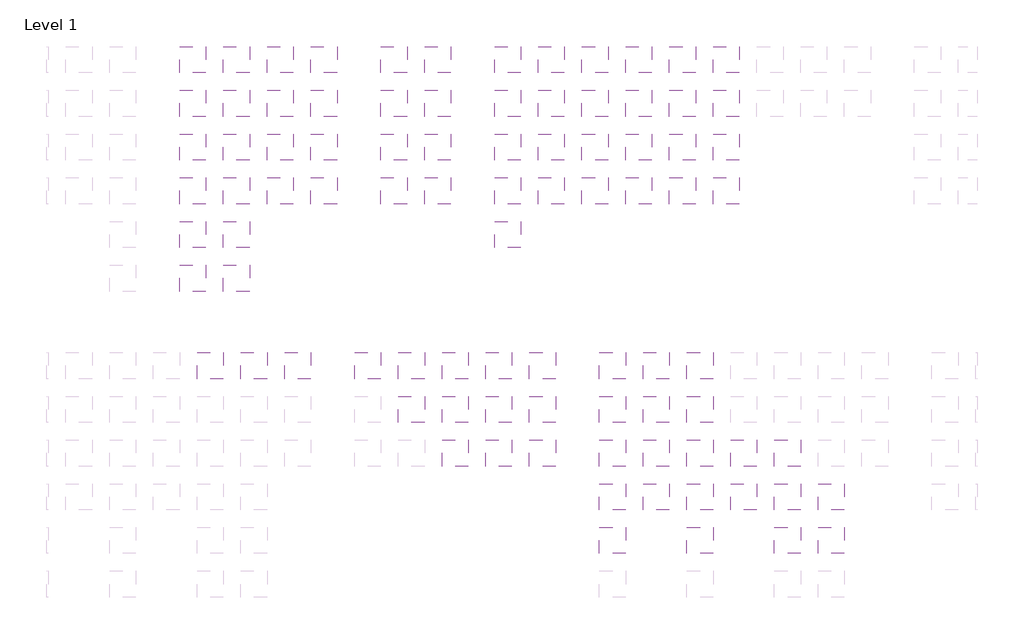
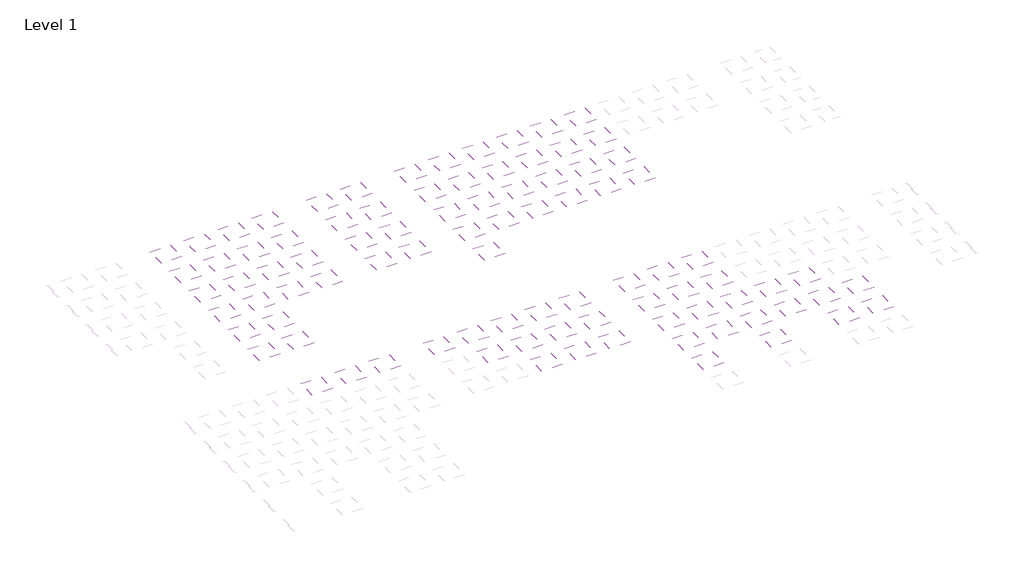
# One storey, part 3 of 90: 89 coverings.
"""IFC4 building model written with IfcOpenShell, lengths in millimetres."""

import ifcopenshell
import ifcopenshell.guid

model = None  # the IFC model being written
_history = None  # IfcOwnerHistory: only IFC2X3 demands one
_inside = {}  # id of a spatial element -> (the spatial element, [elements in it])
_under = {}  # id of a project, library or spatial element -> (it, [spatial elements below it])
_declared = {}  # id of a project -> (the project, [libraries it declares])
_typed = {}  # id of a type object -> (the type object, [elements of that type])
_made_of = {}  # id of a material, layer set ... -> (it, [elements and type objects made of it])


def new_model(schema):
    """Start an empty IFC model of exactly this schema.

    Asked for "IFC4X3", IfcOpenShell would pick the latest addendum, in which some entities
    have other attributes; the version numbers below select the first issue.
    IFC2X3 requires an IfcOwnerHistory on every rooted entity: one is made here for all.
    """
    global model, _history
    if schema == "IFC4X3":
        model = ifcopenshell.file(schema_version=(4, 3, 0, 0))
    else:
        model = ifcopenshell.file(schema=schema)
    _inside.clear()
    _under.clear()
    _declared.clear()
    _typed.clear()
    _made_of.clear()
    _history = None
    if model.schema == "IFC2X3":
        org = make("IfcOrganization", Name="unknown")
        user = make(
            "IfcPersonAndOrganization",
            ThePerson=make("IfcPerson", FamilyName="unknown"),
            TheOrganization=org,
        )
        app = make(
            "IfcApplication",
            ApplicationDeveloper=org,
            Version="unknown",
            ApplicationFullName="unknown",
            ApplicationIdentifier="unknown",
        )
        _history = make(
            "IfcOwnerHistory",
            OwningUser=user,
            OwningApplication=app,
            ChangeAction="ADDED",
            CreationDate=0,
        )
    return model


def make(cls, **values):
    """One entity of the class cls with the attributes given. An attribute that is None is left unset."""
    return model.create_entity(
        cls, **{name: value for name, value in values.items() if value is not None}
    )


def rooted(cls, **values):
    """An entity with a GlobalId (a new one), such as an element, a storey or a relation."""
    return make(cls, GlobalId=ifcopenshell.guid.new(), OwnerHistory=_history, **values)


def si_unit(unit_type, name, prefix=None):
    """IfcSIUnit, for example si_unit("LENGTHUNIT", "METRE", prefix="MILLI")."""
    return make("IfcSIUnit", UnitType=unit_type, Prefix=prefix, Name=name)


def assignment(units):
    """IfcUnitAssignment: the units of a project."""
    return None if units is None else make("IfcUnitAssignment", Units=units)


def point(xyz):
    """IfcCartesianPoint."""
    return None if xyz is None else make("IfcCartesianPoint", Coordinates=xyz)


def direction(xyz):
    """IfcDirection."""
    return None if xyz is None else make("IfcDirection", DirectionRatios=xyz)


def frame(location, z_axis=None, x_axis=None):
    """IfcAxis2Placement3D, a coordinate frame: its origin and axes. An axis left out is left unset."""
    return make(
        "IfcAxis2Placement3D",
        Location=point(location),
        Axis=direction(z_axis),
        RefDirection=direction(x_axis),
    )


def origin():
    """The frame at (0, 0, 0) with its axes left unset."""
    return frame((0.0, 0.0, 0.0))


def place(relative_to, where):
    """IfcLocalPlacement: puts the frame where relative to a parent placement (None: the world)."""
    return make(
        "IfcLocalPlacement", PlacementRelTo=relative_to, RelativePlacement=where
    )


def context(
    kind, dimensions, precision=None, world=None, true_north=None, identifier=None
):
    """IfcGeometricRepresentationContext, for example the 3D "Model" context."""
    return make(
        "IfcGeometricRepresentationContext",
        ContextIdentifier=identifier,
        ContextType=kind,
        CoordinateSpaceDimension=dimensions,
        Precision=precision,
        WorldCoordinateSystem=world,
        TrueNorth=true_north,
    )


def project(units=None, contexts=None):
    """IfcProject with its units and contexts."""
    return rooted(
        "IfcProject",
        Name="project",
        RepresentationContexts=contexts,
        UnitsInContext=assignment(units),
    )


def spatial(cls, under=None, at=None, **own):
    """A site, building, storey or space (cls), placed at a placement, below another one or the project."""
    s = rooted(cls, ObjectPlacement=at, **own)
    if under is not None:
        _under.setdefault(under.id(), (under, []))[1].append(s)
    return s


def polyline(points):
    """IfcPolyline through the points."""
    return make("IfcPolyline", Points=[point(p) for p in points])


def outline(outer, holes=None, kind="AREA"):
    """IfcArbitraryClosedProfileDef: a profile drawn as a closed curve; with holes, ...WithVoids."""
    if holes is None:
        return make("IfcArbitraryClosedProfileDef", ProfileType=kind, OuterCurve=outer)
    return make(
        "IfcArbitraryProfileDefWithVoids",
        ProfileType=kind,
        OuterCurve=outer,
        InnerCurves=holes,
    )


def extrude(swept, where, along, depth):
    """IfcExtrudedAreaSolid: the profile swept, set in the frame where, extruded along a direction by depth."""
    return make(
        "IfcExtrudedAreaSolid",
        SweptArea=swept,
        Position=where,
        ExtrudedDirection=direction(along),
        Depth=depth,
    )


def shape(context_of_items, identifier, shape_type, items):
    """IfcShapeRepresentation: the items that make up one representation, for example the "Body"."""
    return make(
        "IfcShapeRepresentation",
        ContextOfItems=context_of_items,
        RepresentationIdentifier=identifier,
        RepresentationType=shape_type,
        Items=items,
    )


def made_of(thing, what):
    """Note that an element or type object is made of a material, layer set ...; save() writes the relation."""
    if what is not None:
        _made_of.setdefault(what.id(), (what, []))[1].append(thing)
    return thing


def element(
    cls,
    number,
    at=None,
    inside=None,
    cuts=None,
    type_object=None,
    material=None,
    context=None,
    identifier="Body",
    shape_type=None,
    held_by="IfcProductDefinitionShape",
    body=None,
    shapes=None,
    **own,
):
    """One element of the class cls, such as IfcWall. Its Tag is "e" and its number.

    at: its placement. inside: the storey or other place that contains it. cuts: it is an
    opening in that element (IfcRelVoidsElement). A single representation is given by context,
    identifier, shape_type and body (its items); several are given by shapes. held_by: the class
    of the entity that holds the representations. save() writes the other relations.
    """
    e = rooted(cls, Tag="e%d" % number, ObjectPlacement=at, **own)
    if body is not None:
        shapes = [shape(context, identifier, shape_type, body)]
    if shapes is not None:
        e.Representation = make(held_by, Representations=shapes)
    if inside is not None:
        _inside.setdefault(inside.id(), (inside, []))[1].append(e)
    if cuts is not None:
        rooted(
            "IfcRelVoidsElement", RelatingBuildingElement=cuts, RelatedOpeningElement=e
        )
    if type_object is not None:
        _typed.setdefault(type_object.id(), (type_object, []))[1].append(e)
    return made_of(e, material)


def aggregate(whole, parts):
    """IfcRelAggregates: a whole, such as a stair, and the parts it consists of."""
    return rooted("IfcRelAggregates", RelatingObject=whole, RelatedObjects=parts)


def save(model, path):
    """Write the relations noted so far, then the file.

    IfcRelAggregates (storeys below a building ...), IfcRelContainedInSpatialStructure (elements
    in a storey), IfcRelDefinesByType, IfcRelAssociatesMaterial and IfcRelDeclares: one each for
    every whole, place, type object, material and project.
    """
    for whole, parts in _under.values():
        aggregate(whole, parts)
    for where, things in _inside.values():
        rooted(
            "IfcRelContainedInSpatialStructure",
            RelatedElements=things,
            RelatingStructure=where,
        )
    for kind, things in _typed.values():
        rooted("IfcRelDefinesByType", RelatedObjects=things, RelatingType=kind)
    for what, things in _made_of.values():
        rooted("IfcRelAssociatesMaterial", RelatedObjects=things, RelatingMaterial=what)
    for by, libraries in _declared.values():
        rooted("IfcRelDeclares", RelatingContext=by, RelatedDefinitions=libraries)
    model.write(path)


model = new_model("IFC4")

# Units and contexts
model_context = context("Model", 3, world=origin())
ifc_project = project(units=[si_unit("LENGTHUNIT", "METRE", prefix="MILLI")], contexts=[model_context])

# Site, building, storey
site = spatial("IfcSite", under=ifc_project)
building = spatial("IfcBuilding", under=site)
storey = spatial("IfcBuildingStorey", under=building, Name="Level 1", Elevation=0.0)

# Coverings
placement = place(None, origin())
element("IfcCovering", 1, at=placement, inside=storey, context=model_context, shape_type="SweptSolid", body=[
    extrude(outline(polyline([(51921.3888175, -42496.7559295), (51921.3888175, -45496.7559295), (48921.3888175, -45496.7559295), (48921.3888175, -42496.7559295), (51921.3888175, -42496.7559295)])), frame((0.0, 0.0, 2600.0), z_axis=(0.0, 0.0, 1.0), x_axis=(1.0, 0.0, 0.0)), (0.0, 0.0, 1.0), 38.0),
])
element("IfcCovering", 2, at=placement, inside=storey, context=model_context, shape_type="SweptSolid", body=[
    extrude(outline(polyline([(51921.3888175, -47496.7559295), (51921.3888175, -50496.7559295), (48921.3888175, -50496.7559295), (48921.3888175, -47496.7559295), (51921.3888175, -47496.7559295)])), frame((0.0, 0.0, 2600.0), z_axis=(0.0, 0.0, 1.0), x_axis=(1.0, 0.0, 0.0)), (0.0, 0.0, 1.0), 38.0),
])
element("IfcCovering", 3, at=placement, inside=storey, context=model_context, shape_type="SweptSolid", body=[
    extrude(outline(polyline([(51921.3888175, -57496.7559295), (51921.3888175, -60496.7559295), (48921.3888175, -60496.7559295), (48921.3888175, -57496.7559295), (51921.3888175, -57496.7559295)])), frame((0.0, 0.0, 2600.0), z_axis=(0.0, 0.0, 1.0), x_axis=(1.0, 0.0, 0.0)), (0.0, 0.0, 1.0), 38.0),
])
element("IfcCovering", 4, at=placement, inside=storey, context=model_context, shape_type="SweptSolid", body=[
    extrude(outline(polyline([(61921.3888175, -42496.7559295), (61921.3888175, -45496.7559295), (58921.3888175, -45496.7559295), (58921.3888175, -42496.7559295), (61921.3888175, -42496.7559295)])), frame((0.0, 0.0, 2600.0), z_axis=(0.0, 0.0, 1.0), x_axis=(1.0, 0.0, 0.0)), (0.0, 0.0, 1.0), 38.0),
])
element("IfcCovering", 5, at=placement, inside=storey, context=model_context, shape_type="SweptSolid", body=[
    extrude(outline(polyline([(61921.3888175, -47496.7559295), (61921.3888175, -50496.7559295), (58921.3888175, -50496.7559295), (58921.3888175, -47496.7559295), (61921.3888175, -47496.7559295)])), frame((0.0, 0.0, 2600.0), z_axis=(0.0, 0.0, 1.0), x_axis=(1.0, 0.0, 0.0)), (0.0, 0.0, 1.0), 38.0),
])
element("IfcCovering", 6, at=placement, inside=storey, context=model_context, shape_type="SweptSolid", body=[
    extrude(outline(polyline([(61921.3888175, -57496.7559295), (61921.3888175, -60496.7559295), (58921.3888175, -60496.7559295), (58921.3888175, -57496.7559295), (61921.3888175, -57496.7559295)])), frame((0.0, 0.0, 2600.0), z_axis=(0.0, 0.0, 1.0), x_axis=(1.0, 0.0, 0.0)), (0.0, 0.0, 1.0), 38.0),
])
element("IfcCovering", 7, at=placement, inside=storey, context=model_context, shape_type="SweptSolid", body=[
    extrude(outline(polyline([(71921.3888175, -57496.7559295), (71921.3888175, -60496.7559295), (68921.3888175, -60496.7559295), (68921.3888175, -57496.7559295), (71921.3888175, -57496.7559295)])), frame((0.0, 0.0, 2600.0), z_axis=(0.0, 0.0, 1.0), x_axis=(1.0, 0.0, 0.0)), (0.0, 0.0, 1.0), 38.0),
])
element("IfcCovering", 8, at=placement, inside=storey, context=model_context, shape_type="SweptSolid", body=[
    extrude(outline(polyline([(76921.3888175, -57496.7559295), (76921.3888175, -60496.7559295), (73921.3888175, -60496.7559295), (73921.3888175, -57496.7559295), (76921.3888175, -57496.7559295)])), frame((0.0, 0.0, 2600.0), z_axis=(0.0, 0.0, 1.0), x_axis=(1.0, 0.0, 0.0)), (0.0, 0.0, 1.0), 38.0),
])
element("IfcCovering", 9, at=placement, inside=storey, context=model_context, shape_type="SweptSolid", body=[
    extrude(outline(polyline([(5921.3888175, -42496.7559295), (5921.3888175, -45496.7559295), (2921.3888175, -45496.7559295), (2921.3888175, -42496.7559295), (5921.3888175, -42496.7559295)])), frame((0.0, 0.0, 2600.0), z_axis=(0.0, 0.0, 1.0), x_axis=(1.0, 0.0, 0.0)), (0.0, 0.0, 1.0), 38.0),
])
element("IfcCovering", 10, at=placement, inside=storey, context=model_context, shape_type="SweptSolid", body=[
    extrude(outline(polyline([(10921.3888175, -42496.7559295), (10921.3888175, -45496.7559295), (7921.3888175, -45496.7559295), (7921.3888175, -42496.7559295), (10921.3888175, -42496.7559295)])), frame((0.0, 0.0, 2600.0), z_axis=(0.0, 0.0, 1.0), x_axis=(1.0, 0.0, 0.0)), (0.0, 0.0, 1.0), 38.0),
])
element("IfcCovering", 11, at=placement, inside=storey, context=model_context, shape_type="SweptSolid", body=[
    extrude(outline(polyline([(15921.3888175, -42496.7559295), (15921.3888175, -45496.7559295), (12921.3888175, -45496.7559295), (12921.3888175, -42496.7559295), (15921.3888175, -42496.7559295)])), frame((0.0, 0.0, 2600.0), z_axis=(0.0, 0.0, 1.0), x_axis=(1.0, 0.0, 0.0)), (0.0, 0.0, 1.0), 38.0),
])
element("IfcCovering", 12, at=placement, inside=storey, context=model_context, shape_type="SweptSolid", body=[
    extrude(outline(polyline([(51921.3888175, -52496.7559295), (51921.3888175, -55496.7559295), (48921.3888175, -55496.7559295), (48921.3888175, -52496.7559295), (51921.3888175, -52496.7559295)])), frame((0.0, 0.0, 2600.0), z_axis=(0.0, 0.0, 1.0), x_axis=(1.0, 0.0, 0.0)), (0.0, 0.0, 1.0), 38.0),
])
element("IfcCovering", 13, at=placement, inside=storey, context=model_context, shape_type="SweptSolid", body=[
    extrude(outline(polyline([(61921.3888175, -52496.7559295), (61921.3888175, -55496.7559295), (58921.3888175, -55496.7559295), (58921.3888175, -52496.7559295), (61921.3888175, -52496.7559295)])), frame((0.0, 0.0, 2600.0), z_axis=(0.0, 0.0, 1.0), x_axis=(1.0, 0.0, 0.0)), (0.0, 0.0, 1.0), 38.0),
])
element("IfcCovering", 14, at=placement, inside=storey, context=model_context, shape_type="SweptSolid", body=[
    extrude(outline(polyline([(71921.3888175, -52496.7559295), (71921.3888175, -55496.7559295), (68921.3888175, -55496.7559295), (68921.3888175, -52496.7559295), (71921.3888175, -52496.7559295)])), frame((0.0, 0.0, 2600.0), z_axis=(0.0, 0.0, 1.0), x_axis=(1.0, 0.0, 0.0)), (0.0, 0.0, 1.0), 38.0),
])
element("IfcCovering", 15, at=placement, inside=storey, context=model_context, shape_type="SweptSolid", body=[
    extrude(outline(polyline([(51921.3888175, -62496.7559295), (51921.3888175, -65496.7559295), (48921.3888175, -65496.7559295), (48921.3888175, -62496.7559295), (51921.3888175, -62496.7559295)])), frame((0.0, 0.0, 2600.0), z_axis=(0.0, 0.0, 1.0), x_axis=(1.0, 0.0, 0.0)), (0.0, 0.0, 1.0), 38.0),
])
element("IfcCovering", 16, at=placement, inside=storey, context=model_context, shape_type="SweptSolid", body=[
    extrude(outline(polyline([(61921.3888175, -62496.7559295), (61921.3888175, -65496.7559295), (58921.3888175, -65496.7559295), (58921.3888175, -62496.7559295), (61921.3888175, -62496.7559295)])), frame((0.0, 0.0, 2600.0), z_axis=(0.0, 0.0, 1.0), x_axis=(1.0, 0.0, 0.0)), (0.0, 0.0, 1.0), 38.0),
])
element("IfcCovering", 17, at=placement, inside=storey, context=model_context, shape_type="SweptSolid", body=[
    extrude(outline(polyline([(71921.3888175, -62496.7559295), (71921.3888175, -65496.7559295), (68921.3888175, -65496.7559295), (68921.3888175, -62496.7559295), (71921.3888175, -62496.7559295)])), frame((0.0, 0.0, 2600.0), z_axis=(0.0, 0.0, 1.0), x_axis=(1.0, 0.0, 0.0)), (0.0, 0.0, 1.0), 38.0),
])
element("IfcCovering", 18, at=placement, inside=storey, context=model_context, shape_type="SweptSolid", body=[
    extrude(outline(polyline([(76921.3888175, -62496.7559295), (76921.3888175, -65496.7559295), (73921.3888175, -65496.7559295), (73921.3888175, -62496.7559295), (76921.3888175, -62496.7559295)])), frame((0.0, 0.0, 2600.0), z_axis=(0.0, 0.0, 1.0), x_axis=(1.0, 0.0, 0.0)), (0.0, 0.0, 1.0), 38.0),
])
element("IfcCovering", 19, at=placement, inside=storey, context=model_context, shape_type="SweptSolid", body=[
    extrude(outline(polyline([(66921.3888175, -52496.7559295), (66921.3888175, -55496.7559295), (63921.3888175, -55496.7559295), (63921.3888175, -52496.7559295), (66921.3888175, -52496.7559295)])), frame((0.0, 0.0, 2600.0), z_axis=(0.0, 0.0, 1.0), x_axis=(1.0, 0.0, 0.0)), (0.0, 0.0, 1.0), 38.0),
])
element("IfcCovering", 20, at=placement, inside=storey, context=model_context, shape_type="SweptSolid", body=[
    extrude(outline(polyline([(66921.3888175, -57496.7559295), (66921.3888175, -60496.7559295), (63921.3888175, -60496.7559295), (63921.3888175, -57496.7559295), (66921.3888175, -57496.7559295)])), frame((0.0, 0.0, 2600.0), z_axis=(0.0, 0.0, 1.0), x_axis=(1.0, 0.0, 0.0)), (0.0, 0.0, 1.0), 38.0),
])
element("IfcCovering", 21, at=placement, inside=storey, context=model_context, shape_type="SweptSolid", body=[
    extrude(outline(polyline([(56921.3888175, -42496.7559295), (56921.3888175, -45496.7559295), (53921.3888175, -45496.7559295), (53921.3888175, -42496.7559295), (56921.3888175, -42496.7559295)])), frame((0.0, 0.0, 2600.0), z_axis=(0.0, 0.0, 1.0), x_axis=(1.0, 0.0, 0.0)), (0.0, 0.0, 1.0), 38.0),
])
element("IfcCovering", 22, at=placement, inside=storey, context=model_context, shape_type="SweptSolid", body=[
    extrude(outline(polyline([(56921.3888175, -47496.7559295), (56921.3888175, -50496.7559295), (53921.3888175, -50496.7559295), (53921.3888175, -47496.7559295), (56921.3888175, -47496.7559295)])), frame((0.0, 0.0, 2600.0), z_axis=(0.0, 0.0, 1.0), x_axis=(1.0, 0.0, 0.0)), (0.0, 0.0, 1.0), 38.0),
])
element("IfcCovering", 23, at=placement, inside=storey, context=model_context, shape_type="SweptSolid", body=[
    extrude(outline(polyline([(56921.3888175, -52496.7559295), (56921.3888175, -55496.7559295), (53921.3888175, -55496.7559295), (53921.3888175, -52496.7559295), (56921.3888175, -52496.7559295)])), frame((0.0, 0.0, 2600.0), z_axis=(0.0, 0.0, 1.0), x_axis=(1.0, 0.0, 0.0)), (0.0, 0.0, 1.0), 38.0),
])
element("IfcCovering", 24, at=placement, inside=storey, context=model_context, shape_type="SweptSolid", body=[
    extrude(outline(polyline([(56921.3888175, -57496.7559295), (56921.3888175, -60496.7559295), (53921.3888175, -60496.7559295), (53921.3888175, -57496.7559295), (56921.3888175, -57496.7559295)])), frame((0.0, 0.0, 2600.0), z_axis=(0.0, 0.0, 1.0), x_axis=(1.0, 0.0, 0.0)), (0.0, 0.0, 1.0), 38.0),
])
element("IfcCovering", 25, at=placement, inside=storey, context=model_context, shape_type="SweptSolid", body=[
    extrude(outline(polyline([(49921.3888175, -7496.7559295), (49921.3888175, -10496.7559295), (46921.3888175, -10496.7559295), (46921.3888175, -7496.7559295), (49921.3888175, -7496.7559295)])), frame((0.0, 0.0, 2600.0), z_axis=(0.0, 0.0, 1.0), x_axis=(1.0, 0.0, 0.0)), (0.0, 0.0, 1.0), 38.0),
])
element("IfcCovering", 26, at=placement, inside=storey, context=model_context, shape_type="SweptSolid", body=[
    extrude(outline(polyline([(49921.3888175, -17496.7559295), (49921.3888175, -20496.7559295), (46921.3888175, -20496.7559295), (46921.3888175, -17496.7559295), (49921.3888175, -17496.7559295)])), frame((0.0, 0.0, 2600.0), z_axis=(0.0, 0.0, 1.0), x_axis=(1.0, 0.0, 0.0)), (0.0, 0.0, 1.0), 38.0),
])
element("IfcCovering", 27, at=placement, inside=storey, context=model_context, shape_type="SweptSolid", body=[
    extrude(outline(polyline([(49921.3888175, -22496.7559295), (49921.3888175, -25496.7559295), (46921.3888175, -25496.7559295), (46921.3888175, -22496.7559295), (49921.3888175, -22496.7559295)])), frame((0.0, 0.0, 2600.0), z_axis=(0.0, 0.0, 1.0), x_axis=(1.0, 0.0, 0.0)), (0.0, 0.0, 1.0), 38.0),
])
element("IfcCovering", 28, at=placement, inside=storey, context=model_context, shape_type="SweptSolid", body=[
    extrude(outline(polyline([(59921.3888175, -7496.7559295), (59921.3888175, -10496.7559295), (56921.3888175, -10496.7559295), (56921.3888175, -7496.7559295), (59921.3888175, -7496.7559295)])), frame((0.0, 0.0, 2600.0), z_axis=(0.0, 0.0, 1.0), x_axis=(1.0, 0.0, 0.0)), (0.0, 0.0, 1.0), 38.0),
])
element("IfcCovering", 29, at=placement, inside=storey, context=model_context, shape_type="SweptSolid", body=[
    extrude(outline(polyline([(59921.3888175, -17496.7559295), (59921.3888175, -20496.7559295), (56921.3888175, -20496.7559295), (56921.3888175, -17496.7559295), (59921.3888175, -17496.7559295)])), frame((0.0, 0.0, 2600.0), z_axis=(0.0, 0.0, 1.0), x_axis=(1.0, 0.0, 0.0)), (0.0, 0.0, 1.0), 38.0),
])
element("IfcCovering", 30, at=placement, inside=storey, context=model_context, shape_type="SweptSolid", body=[
    extrude(outline(polyline([(59921.3888175, -22496.7559295), (59921.3888175, -25496.7559295), (56921.3888175, -25496.7559295), (56921.3888175, -22496.7559295), (59921.3888175, -22496.7559295)])), frame((0.0, 0.0, 2600.0), z_axis=(0.0, 0.0, 1.0), x_axis=(1.0, 0.0, 0.0)), (0.0, 0.0, 1.0), 38.0),
])
element("IfcCovering", 31, at=placement, inside=storey, context=model_context, shape_type="SweptSolid", body=[
    extrude(outline(polyline([(64921.3888175, -7496.7559295), (64921.3888175, -10496.7559295), (61921.3888175, -10496.7559295), (61921.3888175, -7496.7559295), (64921.3888175, -7496.7559295)])), frame((0.0, 0.0, 2600.0), z_axis=(0.0, 0.0, 1.0), x_axis=(1.0, 0.0, 0.0)), (0.0, 0.0, 1.0), 38.0),
])
element("IfcCovering", 32, at=placement, inside=storey, context=model_context, shape_type="SweptSolid", body=[
    extrude(outline(polyline([(64921.3888175, -17496.7559295), (64921.3888175, -20496.7559295), (61921.3888175, -20496.7559295), (61921.3888175, -17496.7559295), (64921.3888175, -17496.7559295)])), frame((0.0, 0.0, 2600.0), z_axis=(0.0, 0.0, 1.0), x_axis=(1.0, 0.0, 0.0)), (0.0, 0.0, 1.0), 38.0),
])
element("IfcCovering", 33, at=placement, inside=storey, context=model_context, shape_type="SweptSolid", body=[
    extrude(outline(polyline([(64921.3888175, -22496.7559295), (64921.3888175, -25496.7559295), (61921.3888175, -25496.7559295), (61921.3888175, -22496.7559295), (64921.3888175, -22496.7559295)])), frame((0.0, 0.0, 2600.0), z_axis=(0.0, 0.0, 1.0), x_axis=(1.0, 0.0, 0.0)), (0.0, 0.0, 1.0), 38.0),
])
element("IfcCovering", 34, at=placement, inside=storey, context=model_context, shape_type="SweptSolid", body=[
    extrude(outline(polyline([(49921.3888175, -12496.7559295), (49921.3888175, -15496.7559295), (46921.3888175, -15496.7559295), (46921.3888175, -12496.7559295), (49921.3888175, -12496.7559295)])), frame((0.0, 0.0, 2600.0), z_axis=(0.0, 0.0, 1.0), x_axis=(1.0, 0.0, 0.0)), (0.0, 0.0, 1.0), 38.0),
])
element("IfcCovering", 35, at=placement, inside=storey, context=model_context, shape_type="SweptSolid", body=[
    extrude(outline(polyline([(59921.3888175, -12496.7559295), (59921.3888175, -15496.7559295), (56921.3888175, -15496.7559295), (56921.3888175, -12496.7559295), (59921.3888175, -12496.7559295)])), frame((0.0, 0.0, 2600.0), z_axis=(0.0, 0.0, 1.0), x_axis=(1.0, 0.0, 0.0)), (0.0, 0.0, 1.0), 38.0),
])
element("IfcCovering", 36, at=placement, inside=storey, context=model_context, shape_type="SweptSolid", body=[
    extrude(outline(polyline([(64921.3888175, -12496.7559295), (64921.3888175, -15496.7559295), (61921.3888175, -15496.7559295), (61921.3888175, -12496.7559295), (64921.3888175, -12496.7559295)])), frame((0.0, 0.0, 2600.0), z_axis=(0.0, 0.0, 1.0), x_axis=(1.0, 0.0, 0.0)), (0.0, 0.0, 1.0), 38.0),
])
element("IfcCovering", 37, at=placement, inside=storey, context=model_context, shape_type="SweptSolid", body=[
    extrude(outline(polyline([(54921.3888175, -7496.7559295), (54921.3888175, -10496.7559295), (51921.3888175, -10496.7559295), (51921.3888175, -7496.7559295), (54921.3888175, -7496.7559295)])), frame((0.0, 0.0, 2600.0), z_axis=(0.0, 0.0, 1.0), x_axis=(1.0, 0.0, 0.0)), (0.0, 0.0, 1.0), 38.0),
])
element("IfcCovering", 38, at=placement, inside=storey, context=model_context, shape_type="SweptSolid", body=[
    extrude(outline(polyline([(54921.3888175, -12496.7559295), (54921.3888175, -15496.7559295), (51921.3888175, -15496.7559295), (51921.3888175, -12496.7559295), (54921.3888175, -12496.7559295)])), frame((0.0, 0.0, 2600.0), z_axis=(0.0, 0.0, 1.0), x_axis=(1.0, 0.0, 0.0)), (0.0, 0.0, 1.0), 38.0),
])
element("IfcCovering", 39, at=placement, inside=storey, context=model_context, shape_type="SweptSolid", body=[
    extrude(outline(polyline([(54921.3888175, -17496.7559295), (54921.3888175, -20496.7559295), (51921.3888175, -20496.7559295), (51921.3888175, -17496.7559295), (54921.3888175, -17496.7559295)])), frame((0.0, 0.0, 2600.0), z_axis=(0.0, 0.0, 1.0), x_axis=(1.0, 0.0, 0.0)), (0.0, 0.0, 1.0), 38.0),
])
element("IfcCovering", 40, at=placement, inside=storey, context=model_context, shape_type="SweptSolid", body=[
    extrude(outline(polyline([(54921.3888175, -22496.7559295), (54921.3888175, -25496.7559295), (51921.3888175, -25496.7559295), (51921.3888175, -22496.7559295), (54921.3888175, -22496.7559295)])), frame((0.0, 0.0, 2600.0), z_axis=(0.0, 0.0, 1.0), x_axis=(1.0, 0.0, 0.0)), (0.0, 0.0, 1.0), 38.0),
])
element("IfcCovering", 41, at=placement, inside=storey, context=model_context, shape_type="SweptSolid", body=[
    extrude(outline(polyline([(44921.3888175, -7496.7559295), (44921.3888175, -10496.7559295), (41921.3888175, -10496.7559295), (41921.3888175, -7496.7559295), (44921.3888175, -7496.7559295)])), frame((0.0, 0.0, 2600.0), z_axis=(0.0, 0.0, 1.0), x_axis=(1.0, 0.0, 0.0)), (0.0, 0.0, 1.0), 38.0),
])
element("IfcCovering", 42, at=placement, inside=storey, context=model_context, shape_type="SweptSolid", body=[
    extrude(outline(polyline([(44921.3888175, -12496.7559295), (44921.3888175, -15496.7559295), (41921.3888175, -15496.7559295), (41921.3888175, -12496.7559295), (44921.3888175, -12496.7559295)])), frame((0.0, 0.0, 2600.0), z_axis=(0.0, 0.0, 1.0), x_axis=(1.0, 0.0, 0.0)), (0.0, 0.0, 1.0), 38.0),
])
element("IfcCovering", 43, at=placement, inside=storey, context=model_context, shape_type="SweptSolid", body=[
    extrude(outline(polyline([(44921.3888175, -17496.7559295), (44921.3888175, -20496.7559295), (41921.3888175, -20496.7559295), (41921.3888175, -17496.7559295), (44921.3888175, -17496.7559295)])), frame((0.0, 0.0, 2600.0), z_axis=(0.0, 0.0, 1.0), x_axis=(1.0, 0.0, 0.0)), (0.0, 0.0, 1.0), 38.0),
])
element("IfcCovering", 44, at=placement, inside=storey, context=model_context, shape_type="SweptSolid", body=[
    extrude(outline(polyline([(44921.3888175, -22496.7559295), (44921.3888175, -25496.7559295), (41921.3888175, -25496.7559295), (41921.3888175, -22496.7559295), (44921.3888175, -22496.7559295)])), frame((0.0, 0.0, 2600.0), z_axis=(0.0, 0.0, 1.0), x_axis=(1.0, 0.0, 0.0)), (0.0, 0.0, 1.0), 38.0),
])
element("IfcCovering", 45, at=placement, inside=storey, context=model_context, shape_type="SweptSolid", body=[
    extrude(outline(polyline([(26921.3888175, -7496.7559295), (26921.3888175, -10496.7559295), (23921.3888175, -10496.7559295), (23921.3888175, -7496.7559295), (26921.3888175, -7496.7559295)])), frame((0.0, 0.0, 2600.0), z_axis=(0.0, 0.0, 1.0), x_axis=(1.0, 0.0, 0.0)), (0.0, 0.0, 1.0), 38.0),
])
element("IfcCovering", 46, at=placement, inside=storey, context=model_context, shape_type="SweptSolid", body=[
    extrude(outline(polyline([(26921.3888175, -12496.7559295), (26921.3888175, -15496.7559295), (23921.3888175, -15496.7559295), (23921.3888175, -12496.7559295), (26921.3888175, -12496.7559295)])), frame((0.0, 0.0, 2600.0), z_axis=(0.0, 0.0, 1.0), x_axis=(1.0, 0.0, 0.0)), (0.0, 0.0, 1.0), 38.0),
])
element("IfcCovering", 47, at=placement, inside=storey, context=model_context, shape_type="SweptSolid", body=[
    extrude(outline(polyline([(26921.3888175, -17496.7559295), (26921.3888175, -20496.7559295), (23921.3888175, -20496.7559295), (23921.3888175, -17496.7559295), (26921.3888175, -17496.7559295)])), frame((0.0, 0.0, 2600.0), z_axis=(0.0, 0.0, 1.0), x_axis=(1.0, 0.0, 0.0)), (0.0, 0.0, 1.0), 38.0),
])
element("IfcCovering", 48, at=placement, inside=storey, context=model_context, shape_type="SweptSolid", body=[
    extrude(outline(polyline([(26921.3888175, -22496.7559295), (26921.3888175, -25496.7559295), (23921.3888175, -25496.7559295), (23921.3888175, -22496.7559295), (26921.3888175, -22496.7559295)])), frame((0.0, 0.0, 2600.0), z_axis=(0.0, 0.0, 1.0), x_axis=(1.0, 0.0, 0.0)), (0.0, 0.0, 1.0), 38.0),
])
element("IfcCovering", 49, at=placement, inside=storey, context=model_context, shape_type="SweptSolid", body=[
    extrude(outline(polyline([(31921.3888175, -7496.7559295), (31921.3888175, -10496.7559295), (28921.3888175, -10496.7559295), (28921.3888175, -7496.7559295), (31921.3888175, -7496.7559295)])), frame((0.0, 0.0, 2600.0), z_axis=(0.0, 0.0, 1.0), x_axis=(1.0, 0.0, 0.0)), (0.0, 0.0, 1.0), 38.0),
])
element("IfcCovering", 50, at=placement, inside=storey, context=model_context, shape_type="SweptSolid", body=[
    extrude(outline(polyline([(31921.3888175, -12496.7559295), (31921.3888175, -15496.7559295), (28921.3888175, -15496.7559295), (28921.3888175, -12496.7559295), (31921.3888175, -12496.7559295)])), frame((0.0, 0.0, 2600.0), z_axis=(0.0, 0.0, 1.0), x_axis=(1.0, 0.0, 0.0)), (0.0, 0.0, 1.0), 38.0),
])
element("IfcCovering", 51, at=placement, inside=storey, context=model_context, shape_type="SweptSolid", body=[
    extrude(outline(polyline([(31921.3888175, -17496.7559295), (31921.3888175, -20496.7559295), (28921.3888175, -20496.7559295), (28921.3888175, -17496.7559295), (31921.3888175, -17496.7559295)])), frame((0.0, 0.0, 2600.0), z_axis=(0.0, 0.0, 1.0), x_axis=(1.0, 0.0, 0.0)), (0.0, 0.0, 1.0), 38.0),
])
element("IfcCovering", 52, at=placement, inside=storey, context=model_context, shape_type="SweptSolid", body=[
    extrude(outline(polyline([(31921.3888175, -22496.7559295), (31921.3888175, -25496.7559295), (28921.3888175, -25496.7559295), (28921.3888175, -22496.7559295), (31921.3888175, -22496.7559295)])), frame((0.0, 0.0, 2600.0), z_axis=(0.0, 0.0, 1.0), x_axis=(1.0, 0.0, 0.0)), (0.0, 0.0, 1.0), 38.0),
])
element("IfcCovering", 53, at=placement, inside=storey, context=model_context, shape_type="SweptSolid", body=[
    extrude(outline(polyline([(23921.3888175, -42496.7559295), (23921.3888175, -45496.7559295), (20921.3888175, -45496.7559295), (20921.3888175, -42496.7559295), (23921.3888175, -42496.7559295)])), frame((0.0, 0.0, 2600.0), z_axis=(0.0, 0.0, 1.0), x_axis=(1.0, 0.0, 0.0)), (0.0, 0.0, 1.0), 37.0),
])
element("IfcCovering", 54, at=placement, inside=storey, context=model_context, shape_type="SweptSolid", body=[
    extrude(outline(polyline([(28921.3888175, -42496.7559295), (28921.3888175, -45496.7559295), (25921.3888175, -45496.7559295), (25921.3888175, -42496.7559295), (28921.3888175, -42496.7559295)])), frame((0.0, 0.0, 2600.0), z_axis=(0.0, 0.0, 1.0), x_axis=(1.0, 0.0, 0.0)), (0.0, 0.0, 1.0), 37.0),
])
element("IfcCovering", 55, at=placement, inside=storey, context=model_context, shape_type="SweptSolid", body=[
    extrude(outline(polyline([(28921.3888175, -47496.7559295), (28921.3888175, -50496.7559295), (25921.3888175, -50496.7559295), (25921.3888175, -47496.7559295), (28921.3888175, -47496.7559295)])), frame((0.0, 0.0, 2600.0), z_axis=(0.0, 0.0, 1.0), x_axis=(1.0, 0.0, 0.0)), (0.0, 0.0, 1.0), 37.0),
])
element("IfcCovering", 56, at=placement, inside=storey, context=model_context, shape_type="SweptSolid", body=[
    extrude(outline(polyline([(33921.3888175, -42496.7559295), (33921.3888175, -45496.7559295), (30921.3888175, -45496.7559295), (30921.3888175, -42496.7559295), (33921.3888175, -42496.7559295)])), frame((0.0, 0.0, 2600.0), z_axis=(0.0, 0.0, 1.0), x_axis=(1.0, 0.0, 0.0)), (0.0, 0.0, 1.0), 37.0),
])
element("IfcCovering", 57, at=placement, inside=storey, context=model_context, shape_type="SweptSolid", body=[
    extrude(outline(polyline([(33921.3888175, -47496.7559295), (33921.3888175, -50496.7559295), (30921.3888175, -50496.7559295), (30921.3888175, -47496.7559295), (33921.3888175, -47496.7559295)])), frame((0.0, 0.0, 2600.0), z_axis=(0.0, 0.0, 1.0), x_axis=(1.0, 0.0, 0.0)), (0.0, 0.0, 1.0), 37.0),
])
element("IfcCovering", 58, at=placement, inside=storey, context=model_context, shape_type="SweptSolid", body=[
    extrude(outline(polyline([(38921.3888175, -42496.7559295), (38921.3888175, -45496.7559295), (35921.3888175, -45496.7559295), (35921.3888175, -42496.7559295), (38921.3888175, -42496.7559295)])), frame((0.0, 0.0, 2600.0), z_axis=(0.0, 0.0, 1.0), x_axis=(1.0, 0.0, 0.0)), (0.0, 0.0, 1.0), 37.0),
])
element("IfcCovering", 59, at=placement, inside=storey, context=model_context, shape_type="SweptSolid", body=[
    extrude(outline(polyline([(38921.3888175, -47496.7559295), (38921.3888175, -50496.7559295), (35921.3888175, -50496.7559295), (35921.3888175, -47496.7559295), (38921.3888175, -47496.7559295)])), frame((0.0, 0.0, 2600.0), z_axis=(0.0, 0.0, 1.0), x_axis=(1.0, 0.0, 0.0)), (0.0, 0.0, 1.0), 37.0),
])
element("IfcCovering", 60, at=placement, inside=storey, context=model_context, shape_type="SweptSolid", body=[
    extrude(outline(polyline([(43921.3888175, -42496.7559295), (43921.3888175, -45496.7559295), (40921.3888175, -45496.7559295), (40921.3888175, -42496.7559295), (43921.3888175, -42496.7559295)])), frame((0.0, 0.0, 2600.0), z_axis=(0.0, 0.0, 1.0), x_axis=(1.0, 0.0, 0.0)), (0.0, 0.0, 1.0), 37.0),
])
element("IfcCovering", 61, at=placement, inside=storey, context=model_context, shape_type="SweptSolid", body=[
    extrude(outline(polyline([(43921.3888175, -47496.7559295), (43921.3888175, -50496.7559295), (40921.3888175, -50496.7559295), (40921.3888175, -47496.7559295), (43921.3888175, -47496.7559295)])), frame((0.0, 0.0, 2600.0), z_axis=(0.0, 0.0, 1.0), x_axis=(1.0, 0.0, 0.0)), (0.0, 0.0, 1.0), 37.0),
])
element("IfcCovering", 62, at=placement, inside=storey, context=model_context, shape_type="SweptSolid", body=[
    extrude(outline(polyline([(8921.3888175, -7496.7559295), (8921.3888175, -10496.7559295), (5921.3888175, -10496.7559295), (5921.3888175, -7496.7559295), (8921.3888175, -7496.7559295)])), frame((0.0, 0.0, 2600.0), z_axis=(0.0, 0.0, 1.0), x_axis=(1.0, 0.0, 0.0)), (0.0, 0.0, 1.0), 38.0),
])
element("IfcCovering", 63, at=placement, inside=storey, context=model_context, shape_type="SweptSolid", body=[
    extrude(outline(polyline([(8921.3888175, -12496.7559295), (8921.3888175, -15496.7559295), (5921.3888175, -15496.7559295), (5921.3888175, -12496.7559295), (8921.3888175, -12496.7559295)])), frame((0.0, 0.0, 2600.0), z_axis=(0.0, 0.0, 1.0), x_axis=(1.0, 0.0, 0.0)), (0.0, 0.0, 1.0), 38.0),
])
element("IfcCovering", 64, at=placement, inside=storey, context=model_context, shape_type="SweptSolid", body=[
    extrude(outline(polyline([(8921.3888175, -17496.7559295), (8921.3888175, -20496.7559295), (5921.3888175, -20496.7559295), (5921.3888175, -17496.7559295), (8921.3888175, -17496.7559295)])), frame((0.0, 0.0, 2600.0), z_axis=(0.0, 0.0, 1.0), x_axis=(1.0, 0.0, 0.0)), (0.0, 0.0, 1.0), 38.0),
])
element("IfcCovering", 65, at=placement, inside=storey, context=model_context, shape_type="SweptSolid", body=[
    extrude(outline(polyline([(8921.3888175, -22496.7559295), (8921.3888175, -25496.7559295), (5921.3888175, -25496.7559295), (5921.3888175, -22496.7559295), (8921.3888175, -22496.7559295)])), frame((0.0, 0.0, 2600.0), z_axis=(0.0, 0.0, 1.0), x_axis=(1.0, 0.0, 0.0)), (0.0, 0.0, 1.0), 38.0),
])
element("IfcCovering", 66, at=placement, inside=storey, context=model_context, shape_type="SweptSolid", body=[
    extrude(outline(polyline([(8921.3888175, -27496.7559295), (8921.3888175, -30496.7559295), (5921.3888175, -30496.7559295), (5921.3888175, -27496.7559295), (8921.3888175, -27496.7559295)])), frame((0.0, 0.0, 2600.0), z_axis=(0.0, 0.0, 1.0), x_axis=(1.0, 0.0, 0.0)), (0.0, 0.0, 1.0), 38.0),
])
element("IfcCovering", 67, at=placement, inside=storey, context=model_context, shape_type="SweptSolid", body=[
    extrude(outline(polyline([(8921.3888175, -32496.7559295), (8921.3888175, -35496.7559295), (5921.3888175, -35496.7559295), (5921.3888175, -32496.7559295), (8921.3888175, -32496.7559295)])), frame((0.0, 0.0, 2600.0), z_axis=(0.0, 0.0, 1.0), x_axis=(1.0, 0.0, 0.0)), (0.0, 0.0, 1.0), 38.0),
])
element("IfcCovering", 68, at=placement, inside=storey, context=model_context, shape_type="SweptSolid", body=[
    extrude(outline(polyline([(13921.3888175, -7496.7559295), (13921.3888175, -10496.7559295), (10921.3888175, -10496.7559295), (10921.3888175, -7496.7559295), (13921.3888175, -7496.7559295)])), frame((0.0, 0.0, 2600.0), z_axis=(0.0, 0.0, 1.0), x_axis=(1.0, 0.0, 0.0)), (0.0, 0.0, 1.0), 38.0),
])
element("IfcCovering", 69, at=placement, inside=storey, context=model_context, shape_type="SweptSolid", body=[
    extrude(outline(polyline([(13921.3888175, -12496.7559295), (13921.3888175, -15496.7559295), (10921.3888175, -15496.7559295), (10921.3888175, -12496.7559295), (13921.3888175, -12496.7559295)])), frame((0.0, 0.0, 2600.0), z_axis=(0.0, 0.0, 1.0), x_axis=(1.0, 0.0, 0.0)), (0.0, 0.0, 1.0), 38.0),
])
element("IfcCovering", 70, at=placement, inside=storey, context=model_context, shape_type="SweptSolid", body=[
    extrude(outline(polyline([(13921.3888175, -17496.7559295), (13921.3888175, -20496.7559295), (10921.3888175, -20496.7559295), (10921.3888175, -17496.7559295), (13921.3888175, -17496.7559295)])), frame((0.0, 0.0, 2600.0), z_axis=(0.0, 0.0, 1.0), x_axis=(1.0, 0.0, 0.0)), (0.0, 0.0, 1.0), 38.0),
])
element("IfcCovering", 71, at=placement, inside=storey, context=model_context, shape_type="SweptSolid", body=[
    extrude(outline(polyline([(13921.3888175, -22496.7559295), (13921.3888175, -25496.7559295), (10921.3888175, -25496.7559295), (10921.3888175, -22496.7559295), (13921.3888175, -22496.7559295)])), frame((0.0, 0.0, 2600.0), z_axis=(0.0, 0.0, 1.0), x_axis=(1.0, 0.0, 0.0)), (0.0, 0.0, 1.0), 38.0),
])
element("IfcCovering", 72, at=placement, inside=storey, context=model_context, shape_type="SweptSolid", body=[
    extrude(outline(polyline([(18921.3888175, -7496.7559295), (18921.3888175, -10496.7559295), (15921.3888175, -10496.7559295), (15921.3888175, -7496.7559295), (18921.3888175, -7496.7559295)])), frame((0.0, 0.0, 2600.0), z_axis=(0.0, 0.0, 1.0), x_axis=(1.0, 0.0, 0.0)), (0.0, 0.0, 1.0), 38.0),
])
element("IfcCovering", 73, at=placement, inside=storey, context=model_context, shape_type="SweptSolid", body=[
    extrude(outline(polyline([(18921.3888175, -12496.7559295), (18921.3888175, -15496.7559295), (15921.3888175, -15496.7559295), (15921.3888175, -12496.7559295), (18921.3888175, -12496.7559295)])), frame((0.0, 0.0, 2600.0), z_axis=(0.0, 0.0, 1.0), x_axis=(1.0, 0.0, 0.0)), (0.0, 0.0, 1.0), 38.0),
])
element("IfcCovering", 74, at=placement, inside=storey, context=model_context, shape_type="SweptSolid", body=[
    extrude(outline(polyline([(18921.3888175, -17496.7559295), (18921.3888175, -20496.7559295), (15921.3888175, -20496.7559295), (15921.3888175, -17496.7559295), (18921.3888175, -17496.7559295)])), frame((0.0, 0.0, 2600.0), z_axis=(0.0, 0.0, 1.0), x_axis=(1.0, 0.0, 0.0)), (0.0, 0.0, 1.0), 38.0),
])
element("IfcCovering", 75, at=placement, inside=storey, context=model_context, shape_type="SweptSolid", body=[
    extrude(outline(polyline([(18921.3888175, -22496.7559295), (18921.3888175, -25496.7559295), (15921.3888175, -25496.7559295), (15921.3888175, -22496.7559295), (18921.3888175, -22496.7559295)])), frame((0.0, 0.0, 2600.0), z_axis=(0.0, 0.0, 1.0), x_axis=(1.0, 0.0, 0.0)), (0.0, 0.0, 1.0), 38.0),
])
element("IfcCovering", 76, at=placement, inside=storey, context=model_context, shape_type="SweptSolid", body=[
    extrude(outline(polyline([(33921.3888175, -52496.7559295), (33921.3888175, -55496.7559295), (30921.3888175, -55496.7559295), (30921.3888175, -52496.7559295), (33921.3888175, -52496.7559295)])), frame((0.0, 0.0, 2600.0), z_axis=(0.0, 0.0, 1.0), x_axis=(1.0, 0.0, 0.0)), (0.0, 0.0, 1.0), 37.0),
])
element("IfcCovering", 77, at=placement, inside=storey, context=model_context, shape_type="SweptSolid", body=[
    extrude(outline(polyline([(38921.3888175, -52496.7559295), (38921.3888175, -55496.7559295), (35921.3888175, -55496.7559295), (35921.3888175, -52496.7559295), (38921.3888175, -52496.7559295)])), frame((0.0, 0.0, 2600.0), z_axis=(0.0, 0.0, 1.0), x_axis=(1.0, 0.0, 0.0)), (0.0, 0.0, 1.0), 37.0),
])
element("IfcCovering", 78, at=placement, inside=storey, context=model_context, shape_type="SweptSolid", body=[
    extrude(outline(polyline([(43921.3888175, -52496.7559295), (43921.3888175, -55496.7559295), (40921.3888175, -55496.7559295), (40921.3888175, -52496.7559295), (43921.3888175, -52496.7559295)])), frame((0.0, 0.0, 2600.0), z_axis=(0.0, 0.0, 1.0), x_axis=(1.0, 0.0, 0.0)), (0.0, 0.0, 1.0), 37.0),
])
element("IfcCovering", 79, ObjectType="OWA Piano S3 600x1200_15", at=placement, inside=storey, context=model_context, shape_type="SweptSolid", body=[
    extrude(outline(polyline([(3921.3888175, -22496.7559295), (3921.3888175, -25496.7559295), (921.3888175, -25496.7559295), (921.3888175, -22496.7559295), (3921.3888175, -22496.7559295)])), frame((0.0, 0.0, 2600.0), z_axis=(0.0, 0.0, 1.0), x_axis=(1.0, 0.0, 0.0)), (0.0, 0.0, 1.0), 38.0),
])
element("IfcCovering", 80, ObjectType="OWA Piano S3 600x600_15", at=placement, inside=storey, context=model_context, shape_type="SweptSolid", body=[
    extrude(outline(polyline([(3921.3888175, -7496.7559295), (3921.3888175, -10496.7559295), (921.3888175, -10496.7559295), (921.3888175, -7496.7559295), (3921.3888175, -7496.7559295)])), frame((0.0, 0.0, 2600.0), z_axis=(0.0, 0.0, 1.0), x_axis=(1.0, 0.0, 0.0)), (0.0, 0.0, 1.0), 38.0),
])
element("IfcCovering", 81, ObjectType="OWA Piano S3 610x1220_15", at=placement, inside=storey, context=model_context, shape_type="SweptSolid", body=[
    extrude(outline(polyline([(3921.3888175, -27496.7559295), (3921.3888175, -30496.7559295), (921.3888175, -30496.7559295), (921.3888175, -27496.7559295), (3921.3888175, -27496.7559295)])), frame((0.0, 0.0, 2600.0), z_axis=(0.0, 0.0, 1.0), x_axis=(1.0, 0.0, 0.0)), (0.0, 0.0, 1.0), 38.0),
])
element("IfcCovering", 82, ObjectType="OWA Piano S3 610x610_15", at=placement, inside=storey, context=model_context, shape_type="SweptSolid", body=[
    extrude(outline(polyline([(3921.3888175, -12496.7559295), (3921.3888175, -15496.7559295), (921.3888175, -15496.7559295), (921.3888175, -12496.7559295), (3921.3888175, -12496.7559295)])), frame((0.0, 0.0, 2600.0), z_axis=(0.0, 0.0, 1.0), x_axis=(1.0, 0.0, 0.0)), (0.0, 0.0, 1.0), 38.0),
])
element("IfcCovering", 83, ObjectType="OWA Piano S3 625x1250_15", at=placement, inside=storey, context=model_context, shape_type="SweptSolid", body=[
    extrude(outline(polyline([(3921.3888175, -32496.7559295), (3921.3888175, -35496.7559295), (921.3888175, -35496.7559295), (921.3888175, -32496.7559295), (3921.3888175, -32496.7559295)])), frame((0.0, 0.0, 2600.0), z_axis=(0.0, 0.0, 1.0), x_axis=(1.0, 0.0, 0.0)), (0.0, 0.0, 1.0), 38.0),
])
element("IfcCovering", 84, ObjectType="OWA Piano S3 625x625_15", at=placement, inside=storey, context=model_context, shape_type="SweptSolid", body=[
    extrude(outline(polyline([(3921.3888175, -17496.7559295), (3921.3888175, -20496.7559295), (921.3888175, -20496.7559295), (921.3888175, -17496.7559295), (3921.3888175, -17496.7559295)])), frame((0.0, 0.0, 2600.0), z_axis=(0.0, 0.0, 1.0), x_axis=(1.0, 0.0, 0.0)), (0.0, 0.0, 1.0), 38.0),
])
element("IfcCovering", 85, ObjectType="OWA Plain 9 S3 600x1200_15", at=placement, inside=storey, context=model_context, shape_type="SweptSolid", body=[
    extrude(outline(polyline([(39921.3888175, -22496.7559295), (39921.3888175, -25496.7559295), (36921.3888175, -25496.7559295), (36921.3888175, -22496.7559295), (39921.3888175, -22496.7559295)])), frame((0.0, 0.0, 2600.0), z_axis=(0.0, 0.0, 1.0), x_axis=(1.0, 0.0, 0.0)), (0.0, 0.0, 1.0), 38.0),
])
element("IfcCovering", 86, ObjectType="OWA Plain 9 S3 600x600_15", at=placement, inside=storey, context=model_context, shape_type="SweptSolid", body=[
    extrude(outline(polyline([(39921.3888175, -7496.7559295), (39921.3888175, -10496.7559295), (36921.3888175, -10496.7559295), (36921.3888175, -7496.7559295), (39921.3888175, -7496.7559295)])), frame((0.0, 0.0, 2600.0), z_axis=(0.0, 0.0, 1.0), x_axis=(1.0, 0.0, 0.0)), (0.0, 0.0, 1.0), 38.0),
])
element("IfcCovering", 87, ObjectType="OWA Plain 9 S3 610x610_15", at=placement, inside=storey, context=model_context, shape_type="SweptSolid", body=[
    extrude(outline(polyline([(39921.3888175, -12496.7559295), (39921.3888175, -15496.7559295), (36921.3888175, -15496.7559295), (36921.3888175, -12496.7559295), (39921.3888175, -12496.7559295)])), frame((0.0, 0.0, 2600.0), z_axis=(0.0, 0.0, 1.0), x_axis=(1.0, 0.0, 0.0)), (0.0, 0.0, 1.0), 38.0),
])
element("IfcCovering", 88, ObjectType="OWA Plain 9 S3 625x1250_15", at=placement, inside=storey, context=model_context, shape_type="SweptSolid", body=[
    extrude(outline(polyline([(39921.3888175, -27496.7559295), (39921.3888175, -30496.7559295), (36921.3888175, -30496.7559295), (36921.3888175, -27496.7559295), (39921.3888175, -27496.7559295)])), frame((0.0, 0.0, 2600.0), z_axis=(0.0, 0.0, 1.0), x_axis=(1.0, 0.0, 0.0)), (0.0, 0.0, 1.0), 38.0),
])
element("IfcCovering", 89, ObjectType="OWA Plain 9 S3 625x625_15", at=placement, inside=storey, context=model_context, shape_type="SweptSolid", body=[
    extrude(outline(polyline([(39921.3888175, -17496.7559295), (39921.3888175, -20496.7559295), (36921.3888175, -20496.7559295), (36921.3888175, -17496.7559295), (39921.3888175, -17496.7559295)])), frame((0.0, 0.0, 2600.0), z_axis=(0.0, 0.0, 1.0), x_axis=(1.0, 0.0, 0.0)), (0.0, 0.0, 1.0), 38.0),
])

save(model, "model.ifc")
